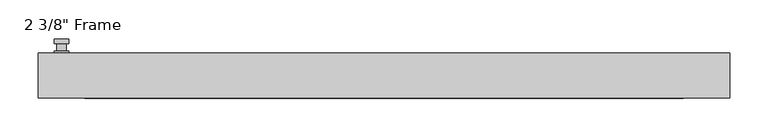
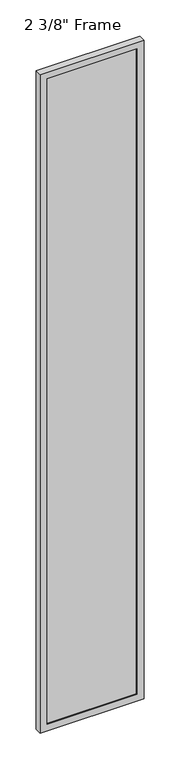
"""IFC4 building model written with IfcOpenShell, lengths in millimetres: plate geometry."""

from ifc_helpers import new_model, si_unit, frame, origin, place, context, project, spatial, polyline, circle_curve, outline, extrude, faceted_brep, source, transform, mapped, element, save
from ifc_brep_helpers import plane_surface, cylinder_surface, advanced_brep


def plate_134e88a0(model_context):
    return source(origin(), model_context, "Body", "SolidModel", [
        advanced_brep(
        [(-410.5275, 29.36875, 927.1), (-429.5775, 29.36875, 927.1), (-429.5775, 29.36875, 901.7), (-410.5275, 29.36875, 901.7), (-413.7025, 42.06875, 914.4), (-413.7025, 32.54375, 914.4), (-426.4025, 32.54375, 914.4), (-426.4025, 42.06875, 914.4), (-410.5275, 42.06875, 914.4), (-429.5775, 42.06875, 914.4), (-426.3984644, 42.06875, 825.2736467), (-413.7065356, 42.06875, 825.2736467), (-410.5275, 48.41875, 914.4), (-413.7065356, 48.41875, 825.2736467), (-426.3984644, 48.41875, 825.2736467), (-429.5775, 48.41875, 914.4), (-410.5275, 32.54375, 927.1), (-410.5275, 32.54375, 901.7), (-429.5775, 32.54375, 901.7), (-429.5775, 32.54375, 927.1)],
        [
            (0, 1, circle_curve(frame((-420.0525, 29.36875, 927.1), z_axis=(0.0, -1.0, 0.0), x_axis=(-1.0, 0.0, 0.0)), 9.525)),
            (1, 2),
            (2, 3, circle_curve(frame((-420.0525, 29.36875, 901.7), z_axis=(0.0, -1.0, 0.0), x_axis=(-1.0, 0.0, 0.0)), 9.525)),
            (3, 0),
            (4, 5),
            (5, 6, circle_curve(frame((-420.0525, 32.54375, 914.4), z_axis=(0.0, 1.0, 0.0), x_axis=(-1.0, 0.0, 0.0)), 6.35)),
            (6, 7),
            (7, 4, circle_curve(frame((-420.0525, 42.06875, 914.4), z_axis=(0.0, -1.0, 0.0), x_axis=(-1.0, 0.0, 0.0)), 6.35)),
            (6, 5, circle_curve(frame((-420.0525, 32.54375, 914.4), z_axis=(0.0, 1.0, 0.0), x_axis=(-1.0, 0.0, 0.0)), 6.35)),
            (4, 7, circle_curve(frame((-420.0525, 42.06875, 914.4), z_axis=(0.0, -1.0, 0.0), x_axis=(-1.0, 0.0, 0.0)), 6.35)),
            (8, 9, circle_curve(frame((-420.0525, 42.06875, 914.4), z_axis=(0.0, -1.0, 0.0), x_axis=(-1.0, 0.0, 0.0)), 9.525)),
            (9, 10),
            (10, 11, circle_curve(frame((-420.0525, 42.06875, 825.5), z_axis=(0.0, -1.0, 0.0), x_axis=(-1.0, 0.0, 0.0)), 6.35)),
            (11, 8),
            (12, 13),
            (13, 14, circle_curve(frame((-420.0525, 48.41875, 825.5), z_axis=(0.0, 1.0, 0.0), x_axis=(-1.0, 0.0, 0.0)), 6.35)),
            (14, 15),
            (15, 12, circle_curve(frame((-420.0525, 48.41875, 914.4), z_axis=(0.0, 1.0, 0.0), x_axis=(-1.0, 0.0, 0.0)), 9.525)),
            (11, 13),
            (12, 8),
            (10, 14),
            (9, 15),
            (16, 17),
            (17, 18, circle_curve(frame((-420.0525, 32.54375, 901.7), z_axis=(0.0, 1.0, 0.0), x_axis=(-1.0, 0.0, 0.0)), 9.525)),
            (18, 19),
            (19, 16, circle_curve(frame((-420.0525, 32.54375, 927.1), z_axis=(0.0, 1.0, 0.0), x_axis=(-1.0, 0.0, 0.0)), 9.525)),
            (3, 17),
            (16, 0),
            (2, 18),
            (1, 19),
        ],
        [
            plane_surface(frame((-426.4025, 29.36875, 914.4), z_axis=(0.0, -1.0, 0.0), x_axis=(0.0, 0.0, 1.0))),
            cylinder_surface(frame((-420.0525, 42.06875, 914.4), z_axis=(0.0, -1.0, 0.0), x_axis=(-1.0, 0.0, 0.0)), 6.35),
            plane_surface(frame((-410.5275, 42.06875, 914.4), z_axis=(0.0, -1.0000000000000002, 0.0), x_axis=(-0.03564619348186888, 0.0, -0.9993644724975235))),
            plane_surface(frame((-410.5275, 48.41875, 914.4), z_axis=(0.0, 1.0000000000000002, 0.0), x_axis=(0.03564619348186888, 0.0, 0.9993644724975235))),
            plane_surface(frame((-410.5275, 42.06875, 914.4), z_axis=(0.9993644724975235, 0.0, -0.03564619348186888), x_axis=(0.0, 1.0, 0.0))),
            cylinder_surface(frame((-420.0525, 48.41875, 825.5), z_axis=(0.0, -1.0, 0.0), x_axis=(-1.0, 0.0, 0.0)), 6.35),
            plane_surface(frame((-426.3984644, 42.06875, 825.2736467), z_axis=(-0.9993644724975228, 0.0, -0.03564619348188612), x_axis=(0.0, 1.0, 0.0))),
            cylinder_surface(frame((-420.0525, 48.41875, 914.4), z_axis=(0.0, -1.0, 0.0), x_axis=(-1.0, 0.0, 0.0)), 9.525),
            plane_surface(frame((-410.5275, 32.54375, 901.7), z_axis=(0.0, 1.0, 0.0), x_axis=(0.0, 0.0, 1.0))),
            plane_surface(frame((-410.5275, 29.36875, 927.1), z_axis=(1.0, 0.0, 0.0), x_axis=(0.0, 1.0, 0.0))),
            cylinder_surface(frame((-420.0525, 32.54375, 901.7), z_axis=(0.0, -1.0, 0.0), x_axis=(-1.0, 0.0, 0.0)), 9.525),
            plane_surface(frame((-429.5775, 29.36875, 901.7), z_axis=(-1.0, 0.0, 0.0), x_axis=(0.0, 1.0, 0.0))),
            cylinder_surface(frame((-420.0525, 32.54375, 927.1), z_axis=(0.0, -1.0, 0.0), x_axis=(-1.0, 0.0, 0.0)), 9.525),
        ],
        [
            (0, [[1, 2, 3, 4]]),
            (1, [[5, 6, 7, 8]]),
            (1, [[-7, 9, -5, 10]]),
            (2, [[11, 12, 13, 14], [-10, -8]]),
            (3, [[15, 16, 17, 18]]),
            (4, [[19, -15, 20, -14]]),
            (5, [[21, -16, -19, -13]]),
            (6, [[22, -17, -21, -12]]),
            (7, [[-20, -18, -22, -11]]),
            (8, [[23, 24, 25, 26], [-9, -6]]),
            (9, [[27, -23, 28, -4]]),
            (10, [[29, -24, -27, -3]]),
            (11, [[30, -25, -29, -2]]),
            (12, [[-28, -26, -30, -1]]),
        ],
    ),
        faceted_brep([(-450.215, 29.36875, 0.0), (450.215, 29.36875, 0.0), (450.215, -29.36875, 0.0), (-450.215, -29.36875, 0.0), (-389.89, -29.36875, 5964.2375), (-389.89, -29.36875, 60.325), (-389.89, -19.84375, 60.325), (-389.89, -19.84375, 5964.2375), (402.59, -19.84375, 5976.9375), (402.59, -19.84375, 47.625), (-402.59, -19.84375, 47.625), (-402.59, -19.84375, 5976.9375), (389.89, -19.84375, 60.325), (389.89, -19.84375, 5964.2375), (-402.59, 3.96875, 47.625), (-402.59, 3.96875, 5976.9375), (402.59, 3.96875, 47.625), (402.59, 3.96875, 5976.9375), (-389.89, 3.96875, 5964.2375), (389.89, 3.96875, 5964.2375), (389.89, 3.96875, 60.325), (-389.89, 3.96875, 60.325), (-389.89, 29.36875, 60.325), (-389.89, 29.36875, 5964.2375), (-450.215, 29.36875, 6024.5625), (450.215, 29.36875, 6024.5625), (389.89, 29.36875, 60.325), (389.89, 29.36875, 5964.2375), (-450.215, -29.36875, 6024.5625), (450.215, -29.36875, 6024.5625), (389.89, -29.36875, 5964.2375), (389.89, -29.36875, 60.325)], [[[0, 1, 2, 3]], [[4, 5, 6, 7]], [[8, 9, 10, 11], [7, 6, 12, 13]], [[10, 14, 15, 11]], [[15, 14, 16, 17], [18, 19, 20, 21]], [[18, 21, 22, 23]], [[0, 24, 25, 1], [23, 22, 26, 27]], [[3, 28, 24, 0]], [[2, 29, 28, 3], [4, 30, 31, 5]], [[7, 13, 30, 4]], [[11, 15, 17, 8]], [[18, 23, 27, 19]], [[24, 28, 29, 25]], [[13, 12, 31, 30]], [[16, 9, 8, 17]], [[27, 26, 20, 19]], [[25, 29, 2, 1]], [[22, 21, 20, 26]], [[9, 16, 14, 10]], [[6, 5, 31, 12]]]),
        extrude(outline(polyline([(402.59, 3.96875), (402.59, -19.84375), (-402.59, -19.84375), (-402.59, 3.96875), (402.59, 3.96875)])), frame((0.0, 0.0, 47.625), z_axis=(0.0, 0.0, 1.0), x_axis=(1.0, 0.0, 0.0)), (0.0, 0.0, 1.0), 5929.3125),
    ])


if __name__ == "__main__":
    model = new_model("IFC4")
    model_context = context("Model", 3, world=origin())
    ifc_project = project(units=[si_unit("LENGTHUNIT", "METRE", prefix="MILLI")], contexts=[model_context])
    site = spatial("IfcSite", under=ifc_project)
    building = spatial("IfcBuilding", under=site)
    placement = place(None, origin())
    plate_shape = plate_134e88a0(model_context)
    element("IfcPlate", 1, ObjectType="2 3/8\" Frame", at=placement, inside=building, context=model_context, shape_type="MappedRepresentation", body=[
        mapped(plate_shape, transform((0.0, 0.0, 0.0), x_axis=(1.0, 0.0, 0.0), y_axis=(0.0, 1.0, 0.0), z_axis=(0.0, 0.0, 1.0))),
    ])
    save(model, "model.ifc")
